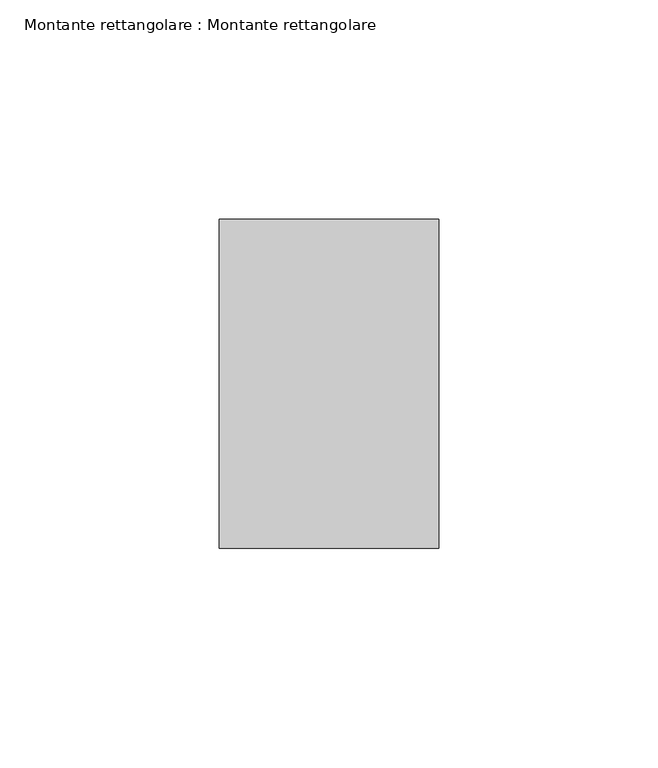
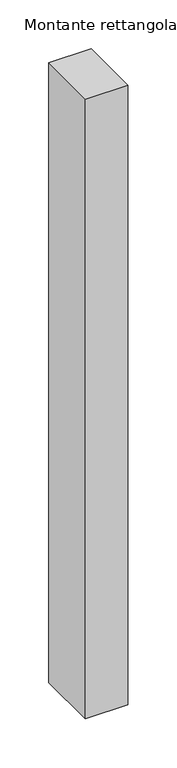
"""IFC4 building model written with IfcOpenShell, lengths in millimetres: member geometry, Montante rettangolare : Montante rettangolare."""

from ifc_helpers import new_model, si_unit, origin, place, context, project, spatial, faceted_brep, source, transform, mapped, element, save


def montante_rettangolare_montante_rettangolare_b82e504b(model_context):
    return source(origin(), model_context, "Body", "Brep", [
        faceted_brep([(0.0, 37.5, 0.0), (-50.0, 37.5, 0.0), (-50.0, -37.5, 0.0), (0.0, -37.5, 0.0), (0.0, 37.5, -775.1747843), (-50.0, 37.5, -775.1747843), (-50.0, -37.3829496, -774.8253998), (0.0, -37.5, -774.8248537)], [[[0, 1, 2, 3]], [[1, 0, 4, 5]], [[2, 1, 5, 6]], [[3, 2, 6, 7]], [[0, 3, 7, 4]], [[4, 7, 6, 5]]]),
    ])


if __name__ == "__main__":
    model = new_model("IFC4")
    model_context = context("Model", 3, world=origin())
    ifc_project = project(units=[si_unit("LENGTHUNIT", "METRE", prefix="MILLI")], contexts=[model_context])
    site = spatial("IfcSite", under=ifc_project)
    building = spatial("IfcBuilding", under=site)
    placement = place(None, origin())
    montante_rettangolare_montante_rettangolare_shape = montante_rettangolare_montante_rettangolare_b82e504b(model_context)
    element("IfcMember", 1, ObjectType="Montante rettangolare : Montante rettangolare", at=placement, inside=building, context=model_context, shape_type="MappedRepresentation", body=[
        mapped(montante_rettangolare_montante_rettangolare_shape, transform((0.0, 0.0, 0.0), x_axis=(1.0, 0.0, 0.0), y_axis=(0.0, 1.0, 0.0), z_axis=(0.0, 0.0, 1.0))),
    ])
    save(model, "model.ifc")
